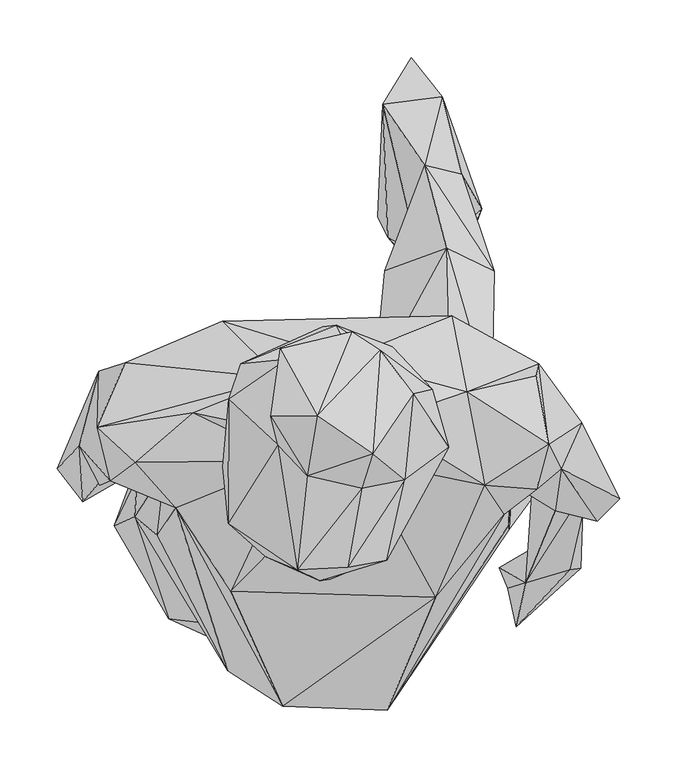
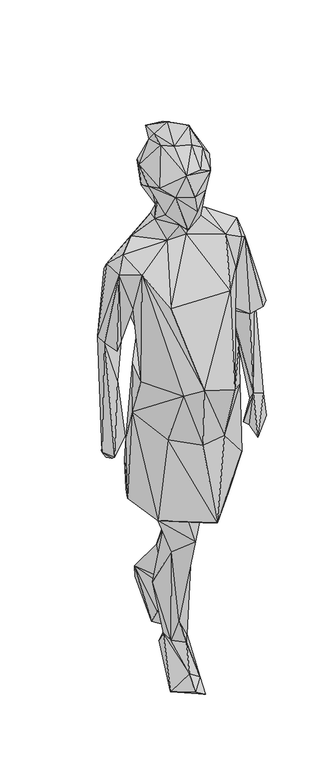
"""IFC4 building model written with IfcOpenShell, lengths in millimetres: geographic element geometry."""

import ifcopenshell
import ifcopenshell.guid

model = None  # the IFC model being written
_history = None  # IfcOwnerHistory: only IFC2X3 demands one
_inside = {}  # id of a spatial element -> (the spatial element, [elements in it])
_under = {}  # id of a project, library or spatial element -> (it, [spatial elements below it])
_declared = {}  # id of a project -> (the project, [libraries it declares])
_typed = {}  # id of a type object -> (the type object, [elements of that type])
_made_of = {}  # id of a material, layer set ... -> (it, [elements and type objects made of it])


def new_model(schema):
    """Start an empty IFC model of exactly this schema.

    Asked for "IFC4X3", IfcOpenShell would pick the latest addendum, in which some entities
    have other attributes; the version numbers below select the first issue.
    IFC2X3 requires an IfcOwnerHistory on every rooted entity: one is made here for all.
    """
    global model, _history
    if schema == "IFC4X3":
        model = ifcopenshell.file(schema_version=(4, 3, 0, 0))
    else:
        model = ifcopenshell.file(schema=schema)
    _inside.clear()
    _under.clear()
    _declared.clear()
    _typed.clear()
    _made_of.clear()
    _history = None
    if model.schema == "IFC2X3":
        org = make("IfcOrganization", Name="unknown")
        user = make(
            "IfcPersonAndOrganization",
            ThePerson=make("IfcPerson", FamilyName="unknown"),
            TheOrganization=org,
        )
        app = make(
            "IfcApplication",
            ApplicationDeveloper=org,
            Version="unknown",
            ApplicationFullName="unknown",
            ApplicationIdentifier="unknown",
        )
        _history = make(
            "IfcOwnerHistory",
            OwningUser=user,
            OwningApplication=app,
            ChangeAction="ADDED",
            CreationDate=0,
        )
    return model


def make(cls, **values):
    """One entity of the class cls with the attributes given. An attribute that is None is left unset."""
    return model.create_entity(
        cls, **{name: value for name, value in values.items() if value is not None}
    )


def rooted(cls, **values):
    """An entity with a GlobalId (a new one), such as an element, a storey or a relation."""
    return make(cls, GlobalId=ifcopenshell.guid.new(), OwnerHistory=_history, **values)


def si_unit(unit_type, name, prefix=None):
    """IfcSIUnit, for example si_unit("LENGTHUNIT", "METRE", prefix="MILLI")."""
    return make("IfcSIUnit", UnitType=unit_type, Prefix=prefix, Name=name)


def assignment(units):
    """IfcUnitAssignment: the units of a project."""
    return None if units is None else make("IfcUnitAssignment", Units=units)


def point(xyz):
    """IfcCartesianPoint."""
    return None if xyz is None else make("IfcCartesianPoint", Coordinates=xyz)


def direction(xyz):
    """IfcDirection."""
    return None if xyz is None else make("IfcDirection", DirectionRatios=xyz)


def frame(location, z_axis=None, x_axis=None):
    """IfcAxis2Placement3D, a coordinate frame: its origin and axes. An axis left out is left unset."""
    return make(
        "IfcAxis2Placement3D",
        Location=point(location),
        Axis=direction(z_axis),
        RefDirection=direction(x_axis),
    )


def origin():
    """The frame at (0, 0, 0) with its axes left unset."""
    return frame((0.0, 0.0, 0.0))


def place(relative_to, where):
    """IfcLocalPlacement: puts the frame where relative to a parent placement (None: the world)."""
    return make(
        "IfcLocalPlacement", PlacementRelTo=relative_to, RelativePlacement=where
    )


def context(
    kind, dimensions, precision=None, world=None, true_north=None, identifier=None
):
    """IfcGeometricRepresentationContext, for example the 3D "Model" context."""
    return make(
        "IfcGeometricRepresentationContext",
        ContextIdentifier=identifier,
        ContextType=kind,
        CoordinateSpaceDimension=dimensions,
        Precision=precision,
        WorldCoordinateSystem=world,
        TrueNorth=true_north,
    )


def project(units=None, contexts=None):
    """IfcProject with its units and contexts."""
    return rooted(
        "IfcProject",
        Name="project",
        RepresentationContexts=contexts,
        UnitsInContext=assignment(units),
    )


def spatial(cls, under=None, at=None, **own):
    """A site, building, storey or space (cls), placed at a placement, below another one or the project."""
    s = rooted(cls, ObjectPlacement=at, **own)
    if under is not None:
        _under.setdefault(under.id(), (under, []))[1].append(s)
    return s


def faces_of(points, faces, orient=None, outer=None):
    """IfcFace entities. A face is a list of loops; a loop is a list of indices into points, from 0.

    orient and outer hold one flag for each loop. By default every Orientation is true, the
    first loop of a face is its IfcFaceOuterBound and the others are IfcFaceBound.
    """
    made = []
    for i, loops in enumerate(faces):
        bounds = []
        for j, loop in enumerate(loops):
            is_outer = j == 0 if outer is None else outer[i][j]
            bounds.append(
                make(
                    "IfcFaceOuterBound" if is_outer else "IfcFaceBound",
                    Bound=make("IfcPolyLoop", Polygon=[points[k] for k in loop]),
                    Orientation=True if orient is None else orient[i][j],
                )
            )
        made.append(make("IfcFace", Bounds=bounds))
    return made


def faceted_brep(points, faces, orient=None, outer=None, voids=None):
    """IfcFacetedBrep: a solid bounded by flat faces; with voids (closed shells), ...WithVoids."""
    shared = [point(p) for p in points]
    hull = make("IfcClosedShell", CfsFaces=faces_of(shared, faces, orient, outer))
    if voids is None:
        return make("IfcFacetedBrep", Outer=hull)
    return make(
        "IfcFacetedBrepWithVoids",
        Outer=hull,
        Voids=[
            make(cls, CfsFaces=faces_of(shared, fs, o, b)) for cls, fs, o, b in voids
        ],
    )


def shape(context_of_items, identifier, shape_type, items):
    """IfcShapeRepresentation: the items that make up one representation, for example the "Body"."""
    return make(
        "IfcShapeRepresentation",
        ContextOfItems=context_of_items,
        RepresentationIdentifier=identifier,
        RepresentationType=shape_type,
        Items=items,
    )


def source(mapping_origin, context_of_items, identifier, shape_type, items):
    """IfcRepresentationMap: a shape defined once, which mapped items show again and again."""
    return make(
        "IfcRepresentationMap",
        MappingOrigin=mapping_origin,
        MappedRepresentation=shape(context_of_items, identifier, shape_type, items),
    )


def transform(
    local_origin,
    x_axis=None,
    y_axis=None,
    z_axis=None,
    scale=None,
    scale2=None,
    scale3=None,
    uniform=True,
):
    """IfcCartesianTransformationOperator3D, or its non-uniform kind. x_axis, y_axis, z_axis: its Axis1, 2, 3."""
    if uniform:
        return make(
            "IfcCartesianTransformationOperator3D",
            Axis1=direction(x_axis),
            Axis2=direction(y_axis),
            LocalOrigin=point(local_origin),
            Scale=scale,
            Axis3=direction(z_axis),
        )
    return make(
        "IfcCartesianTransformationOperator3DnonUniform",
        Axis1=direction(x_axis),
        Axis2=direction(y_axis),
        LocalOrigin=point(local_origin),
        Scale=scale,
        Axis3=direction(z_axis),
        Scale2=scale2,
        Scale3=scale3,
    )


def mapped(mapping_source, mapping_target):
    """IfcMappedItem: shows the shape of a source again, moved by a transform."""
    return make(
        "IfcMappedItem", MappingSource=mapping_source, MappingTarget=mapping_target
    )


def made_of(thing, what):
    """Note that an element or type object is made of a material, layer set ...; save() writes the relation."""
    if what is not None:
        _made_of.setdefault(what.id(), (what, []))[1].append(thing)
    return thing


def element(
    cls,
    number,
    at=None,
    inside=None,
    cuts=None,
    type_object=None,
    material=None,
    context=None,
    identifier="Body",
    shape_type=None,
    held_by="IfcProductDefinitionShape",
    body=None,
    shapes=None,
    **own,
):
    """One element of the class cls, such as IfcWall. Its Tag is "e" and its number.

    at: its placement. inside: the storey or other place that contains it. cuts: it is an
    opening in that element (IfcRelVoidsElement). A single representation is given by context,
    identifier, shape_type and body (its items); several are given by shapes. held_by: the class
    of the entity that holds the representations. save() writes the other relations.
    """
    e = rooted(cls, Tag="e%d" % number, ObjectPlacement=at, **own)
    if body is not None:
        shapes = [shape(context, identifier, shape_type, body)]
    if shapes is not None:
        e.Representation = make(held_by, Representations=shapes)
    if inside is not None:
        _inside.setdefault(inside.id(), (inside, []))[1].append(e)
    if cuts is not None:
        rooted(
            "IfcRelVoidsElement", RelatingBuildingElement=cuts, RelatedOpeningElement=e
        )
    if type_object is not None:
        _typed.setdefault(type_object.id(), (type_object, []))[1].append(e)
    return made_of(e, material)


def aggregate(whole, parts):
    """IfcRelAggregates: a whole, such as a stair, and the parts it consists of."""
    return rooted("IfcRelAggregates", RelatingObject=whole, RelatedObjects=parts)


def save(model, path):
    """Write the relations noted so far, then the file.

    IfcRelAggregates (storeys below a building ...), IfcRelContainedInSpatialStructure (elements
    in a storey), IfcRelDefinesByType, IfcRelAssociatesMaterial and IfcRelDeclares: one each for
    every whole, place, type object, material and project.
    """
    for whole, parts in _under.values():
        aggregate(whole, parts)
    for where, things in _inside.values():
        rooted(
            "IfcRelContainedInSpatialStructure",
            RelatedElements=things,
            RelatingStructure=where,
        )
    for kind, things in _typed.values():
        rooted("IfcRelDefinesByType", RelatedObjects=things, RelatingType=kind)
    for what, things in _made_of.values():
        rooted("IfcRelAssociatesMaterial", RelatedObjects=things, RelatingMaterial=what)
    for by, libraries in _declared.values():
        rooted("IfcRelDeclares", RelatingContext=by, RelatedDefinitions=libraries)
    model.write(path)


def geographic_element_68bdd608(model_context):
    return source(origin(), model_context, "Body", "Brep", [
        faceted_brep([(154.8800002, -16.0529984, 643.0759947), (129.0359928, 43.3689947, 827.1669643), (122.3969966, -60.8509995, 899.4879611), (130.425988, 55.8769957, 627.5659722), (19.4269994, 105.416997, 877.4269711), (88.1559987, 97.211993, 604.3089554), (121.1669952, -57.8219958, 1028.8339726), (76.2509992, 49.0880006, 967.411983), (-74.0769943, 91.342001, 576.8489766), (17.2359979, 84.7189937, 595.9859417), (69.6589938, 116.9149936, 524.1140062), (-132.2019978, 41.7039985, 1000.3980275), (7.4499998, 74.714995, 985.3549478), (122.1129954, -25.4419983, 1067.2720539), (92.2849986, 46.4399973, 1074.3889676), (-63.3139975, 73.8449982, 1036.1739269), (-202.4150019, -15.9019994, 812.9250307), (-177.770985, -8.6559997, 1043.056952), (24.5309991, 76.7989969, 1053.6239017), (111.5749986, -13.7279991, 1133.7059596), (58.1559979, 77.6929995, 1095.1180323), (-120.2499926, 68.6369977, 1081.9690094), (-204.651994, -50.0390002, 917.2069913), (-184.7509868, -66.1449946, 1018.2620161), (-128.1539931, 120.6299946, 1318.321927), (-182.1599878, 65.9440003, 1243.0909718), (-178.9739855, -11.9969992, 1220.737919), (-123.2089981, -184.391988, 1021.1518877), (-168.8639948, -42.0899982, 1344.3698717), (-225.8200021, -18.5949986, 1349.9179912), (-190.4749996, 30.8929976, 1093.4389694), (-197.1680051, 70.9079942, 1091.6039809), (-213.0189959, 84.4399993, 1306.1328965), (-228.216988, 15.4899999, 826.2659805), (-236.0589922, 76.9499978, 1097.7970226), (-237.3239965, 28.3319984, 1362.6499008), (-77.8440004, 70.7849926, 1448.2999861), (-252.7770071, 12.128, 1122.2039322), (-272.0849778, -8.0479997, 783.4470175), (-153.9239864, 40.9560012, 1417.7299563), (-204.144982, -2.26, 1398.8829678), (-67.1619988, -1.115, 1397.8829211), (-89.3729914, 27.2399985, 1459.1630517), (-234.8660053, -22.5539987, 1108.7689263), (-222.3239961, -4.894, 997.3739262), (-249.8359947, -36.6440001, 776.5879535), (-202.4150019, -9.3239992, 812.9250307), (-259.5639793, 19.9699995, 769.295981), (-246.18299, -17.3509994, 761.7439534), (-252.8960078, 4.046, 754.1089561), (-75.3889969, -215.146986, 1041.6339507), (-120.6279978, -114.9429963, 1262.7389275), (-146.3630032, -142.4499882, 861.7510093), (-60.7219964, -180.9349932, 838.4230033), (-222.3709943, -57.5589978, 646.2999502), (-175.0320026, -138.7159956, 606.6789552), (-30.2109994, -204.6190028, 589.1919659), (13.1560004, -167.444987, 836.285998), (15.5920003, -218.8820067, 1014.0160197), (58.3299987, -65.1519961, 645.2749292), (58.7830015, -109.9409894, 599.4879529), (122.1629962, -18.8609993, 652.6179829), (-42.9799961, -41.5359991, 646.9999472), (-38.4549978, -146.3069898, 628.7909668), (5.4949996, -30.6049973, 640.4260318), (63.9339976, 5.3099999, 493.6309694), (107.1019979, 49.2289992, 526.8869931), (82.2609951, 217.5979885, 137.3089982), (67.7289954, 184.3259908, 435.4509955), (109.0629907, 164.4989977, 414.6649786), (4.567, 68.0879942, 506.5659818), (13.6729999, 164.9909893, 330.2929957), (48.4660001, 256.9759754, 211.9339827), (80.8469941, 249.0220039, 162.7989838), (11.7819997, 310.3789947, 122.517994), (37.3149994, 203.7609939, 137.9209889), (63.768997, 316.5399691, 123.7969905), (60.6579997, 178.2229968, 217.985985), (33.4429998, 77.715001, 435.9949773), (74.0949949, 197.9449963, 106.1419906), (42.9709995, 179.8189856, 113.2509992), (-76.557002, 45.2509964, 645.5689589), (-193.0509931, 0.908, 632.6050084), (-146.308003, -20.5669997, 642.2849814), (-45.830998, -94.1319976, 449.2949788), (-75.4349967, -46.8129994, 572.6369549), (-73.5360002, -164.1089896, 518.221968), (-94.729996, -164.6579931, 589.7709654), (-124.10499, -121.7230022, 477.4449707), (-72.7080023, -72.1559963, 204.0600006), (-174.7100034, -56.0589947, 659.031979), (-112.9279942, -61.0239945, 516.1259707), (-82.674994, -49.3849994, 130.3459986), (-136.4289952, -43.7039988, 337.1770042), (-32.9059992, -45.868996, 131.0589893), (-53.5579988, -80.8939998, 133.2519932), (-68.2879976, -122.9209959, 61.5289986), (-87.9029993, -16.3509993, 134.7819997), (-79.4359957, -11.0169992, 398.4609793), (-114.282994, -99.8119998, 4.4519999), (-42.7489983, 20.2629992, 149.5809984), (-70.2989987, 37.7960014, 74.3509969), (-82.8899954, -178.0909874, 39.152998), (-38.8070005, -127.2509976, 43.6509991), (-26.5289989, -108.5019918, 3.21), (-51.7209985, -177.5689997, 22.5269997), (-48.5149988, -43.0959979, 1.5719998), (-42.9470012, 43.2040015, 77.1320006), (-41.5129992, 33.3169993, 1.525), (-54.5829975, -60.4099959, 481.1589658), (-206.2409942, -14.2919988, 740.2919439), (98.1709945, 219.0819803, 28.0489993), (36.8789989, 350.881006, 55.0089956), (94.1949997, 223.1290015, -2.138), (7.6499995, 212.1859912, 2.139), (66.7459957, 134.7780062, -0.66), (16.0470007, 194.2079788, 43.1059966), (65.0439999, 140.0369984, 34.9009964), (117.9489926, -47.9059958, 1273.7139306), (58.204002, -120.1609954, 1261.3990151), (167.53499, -8.0769992, 1333.7249591), (162.3559872, -44.5029991, 1105.1949126), (146.3569981, -26.1260007, 1350.5619597), (145.96699, 27.564, 1079.6959267), (110.9559969, 35.3679988, 1180.7219836), (156.5240006, 13.5159984, 1384.8930426), (100.9640011, -22.2760008, 1371.3509867), (-7.195, -0.549, 1398.408038), (9.9969999, 33.222999, 1467.6910457), (85.078, 59.0969987, 1415.3308693), (-37.9230003, -18.9269984, 1446.7480004), (1.5379999, -8.8109997, 1490.5179555), (1.6329998, -58.5879974, 1488.4578998), (-52.2069962, -86.502998, 1477.1878537), (-75.7969981, -7.8219994, 1489.0169913), (31.8909991, 5.173, 1554.1299389), (-1.098, -90.8450026, 1591.3909477), (-90.398996, -84.7150002, 1595.5199998), (-34.0019982, -104.3309929, 1541.909914), (-127.665995, -6.1419997, 1598.0939668), (-95.5770004, -4.6740001, 1555.6539105), (-75.2229979, 48.2619995, 1488.6019046), (-103.9130004, 17.0399992, 1570.2929303), (-102.7979987, 78.2700022, 1543.7848377), (-122.9289978, -55.5819974, 1620.1100149), (-122.5889906, 52.4829992, 1630.3379334), (-111.9399951, 83.634003, 1625.868062), (-40.3480003, 115.8609897, 1539.1900349), (-67.2719992, 68.6049974, 1532.6279212), (-79.9319958, 12.7149996, 1703.3680467), (-71.8590012, 87.4600027, 1675.6669076), (-62.7439983, -96.0279989, 1664.2669234), (-85.9090005, 37.7149987, 1727.6068712), (-54.0110015, -14.1560005, 1707.2950391), (-45.4459967, 37.9659976, 1753.016927), (-77.4929961, 96.6429996, 1716.2029531), (-6.548, -25.2599992, 1702.1099119), (3.0720001, 5.1879999, 1743.444898), (-15.3539989, 111.4570038, 1699.5279579), (9.7269992, 95.4309988, 1694.9059754), (-14.7789994, 90.4289994, 1662.5219378), (38.3649985, 57.3339977, 1690.8449918), (55.0879978, 61.467997, 1616.4409915), (31.196998, -17.5010001, 1676.115969), (-18.7849996, -93.9630035, 1667.2270092), (15.2429992, -87.9139964, 1647.8849446), (69.5649973, 10.776, 1624.0749158), (55.1319972, 52.8959961, 1585.1789517), (-42.9459991, -105.8859961, 1592.6449102), (-4.5699998, 55.7019964, 1494.9298912), (20.0580002, 98.1939944, 1531.4450075), (-36.0089983, 94.2160028, 1506.180983), (-21.2019977, 87.8619913, 1448.3669817), (-28.5599992, 117.1699971, 1626.2699165), (72.2189984, 125.2989903, 1298.5349733), (147.8039902, 83.3879997, 1296.980961), (185.4490019, 32.0479978, 1240.8048953), (145.9230018, 73.2369935, 1366.0119603), (218.444002, -34.3029979, 1123.7258772), (188.6230088, 20.8260005, 1094.2790373), (144.0079939, -76.3439974, 855.2390231), (184.4589985, -94.6269992, 797.3499796), (175.0049867, -95.9759939, 873.1069457), (192.6439977, -20.1510002, 1132.0119956), (199.2149924, -53.7359969, 1121.533976), (136.5859939, -107.3559882, 894.4989332), (128.4140035, -145.7089913, 776.853969), (121.1130008, -112.372993, 799.3199726), (113.4049953, -94.4050017, 800.2110025), (152.290998, -113.2169948, 764.693966)], [[[0, 1, 2]], [[0, 3, 1]], [[4, 1, 5]], [[6, 2, 1]], [[5, 1, 3]], [[7, 6, 1]], [[4, 7, 1]], [[4, 5, 8]], [[9, 8, 5]], [[3, 10, 5]], [[5, 10, 9]], [[8, 11, 4]], [[4, 12, 7]], [[4, 11, 12]], [[13, 7, 14]], [[14, 7, 12]], [[6, 7, 13]], [[14, 12, 15]], [[15, 12, 11]], [[16, 11, 8]], [[16, 17, 11]], [[15, 11, 17]], [[15, 17, 18]], [[18, 14, 15]], [[13, 14, 19]], [[20, 19, 14]], [[18, 20, 14]], [[21, 20, 18]], [[21, 18, 17]], [[22, 17, 16]], [[23, 21, 17]], [[22, 23, 17]], [[24, 20, 21]], [[25, 21, 26]], [[26, 21, 23]], [[25, 24, 21]], [[27, 28, 23]], [[26, 23, 28]], [[22, 27, 23]], [[29, 26, 28]], [[25, 26, 30]], [[26, 29, 30]], [[30, 31, 25]], [[32, 24, 25]], [[32, 25, 31]], [[30, 33, 31]], [[34, 31, 33]], [[32, 31, 34]], [[32, 35, 36]], [[35, 32, 34]], [[24, 32, 36]], [[29, 34, 37]], [[37, 34, 38]], [[38, 34, 33]], [[29, 35, 34]], [[39, 36, 35]], [[40, 39, 35]], [[35, 29, 40]], [[40, 41, 39]], [[42, 36, 39]], [[41, 42, 39]], [[28, 41, 40]], [[28, 40, 29]], [[43, 30, 29]], [[43, 29, 37]], [[37, 30, 43]], [[30, 44, 33]], [[37, 44, 30]], [[44, 37, 45]], [[44, 46, 33]], [[45, 46, 44]], [[33, 47, 38]], [[33, 46, 48]], [[33, 48, 49]], [[33, 49, 47]], [[45, 48, 46]], [[38, 45, 37]], [[45, 38, 48]], [[38, 49, 48]], [[47, 49, 38]], [[50, 28, 27]], [[51, 41, 28]], [[50, 51, 28]], [[27, 22, 52]], [[27, 52, 53]], [[50, 27, 53]], [[54, 22, 16]], [[22, 54, 55]], [[55, 52, 22]], [[53, 52, 56]], [[56, 52, 55]], [[57, 50, 53]], [[57, 53, 56]], [[57, 0, 2]], [[57, 56, 0]], [[50, 57, 58]], [[57, 2, 58]], [[59, 0, 60]], [[56, 60, 0]], [[61, 0, 59]], [[3, 0, 61]], [[56, 59, 60]], [[62, 59, 63]], [[56, 63, 59]], [[59, 64, 65]], [[59, 65, 61]], [[62, 64, 59]], [[66, 3, 61]], [[66, 61, 65]], [[3, 66, 10]], [[66, 65, 67]], [[10, 66, 68]], [[68, 66, 69]], [[69, 66, 67]], [[68, 70, 10]], [[9, 10, 70]], [[71, 70, 68]], [[72, 68, 69]], [[71, 68, 72]], [[73, 69, 67]], [[73, 72, 69]], [[74, 75, 72]], [[72, 76, 74]], [[72, 75, 71]], [[76, 72, 73]], [[77, 78, 71]], [[71, 75, 77]], [[71, 78, 70]], [[77, 75, 79]], [[74, 80, 75]], [[80, 79, 75]], [[65, 78, 77]], [[65, 77, 67]], [[77, 79, 67]], [[70, 78, 65]], [[64, 70, 65]], [[9, 70, 64]], [[9, 64, 81]], [[64, 62, 81]], [[82, 9, 81]], [[8, 9, 82]], [[81, 83, 82]], [[83, 81, 62]], [[62, 63, 84]], [[83, 62, 85]], [[85, 62, 84]], [[84, 63, 86]], [[87, 86, 63]], [[87, 63, 56]], [[86, 55, 88]], [[88, 89, 86]], [[55, 86, 87]], [[89, 84, 86]], [[55, 87, 56]], [[55, 83, 88]], [[90, 83, 55]], [[90, 55, 54]], [[88, 83, 91]], [[88, 92, 89]], [[93, 88, 91]], [[93, 92, 88]], [[94, 84, 89]], [[95, 94, 89]], [[89, 92, 95]], [[96, 95, 92]], [[97, 96, 92]], [[97, 92, 93]], [[98, 97, 93]], [[91, 98, 93]], [[97, 99, 96]], [[100, 97, 98]], [[100, 101, 97]], [[101, 99, 97]], [[102, 96, 99]], [[103, 95, 96]], [[103, 96, 102]], [[103, 94, 95]], [[103, 104, 94]], [[103, 105, 104]], [[103, 102, 105]], [[102, 99, 105]], [[104, 105, 99]], [[99, 106, 104]], [[94, 104, 106]], [[94, 106, 107]], [[108, 106, 99]], [[107, 106, 108]], [[100, 94, 107]], [[109, 94, 100]], [[109, 84, 94]], [[100, 107, 101]], [[101, 107, 108]], [[99, 101, 108]], [[98, 109, 100]], [[98, 91, 109]], [[85, 84, 109]], [[85, 109, 91]], [[85, 91, 83]], [[54, 82, 83]], [[90, 54, 83]], [[82, 16, 8]], [[54, 110, 82]], [[110, 16, 82]], [[110, 54, 16]], [[73, 67, 79]], [[73, 79, 111]], [[80, 111, 79]], [[76, 73, 111]], [[112, 76, 113]], [[112, 74, 76]], [[76, 111, 113]], [[112, 113, 114]], [[114, 113, 115]], [[113, 111, 115]], [[114, 74, 112]], [[74, 116, 80]], [[114, 116, 74]], [[111, 80, 116]], [[116, 117, 111]], [[114, 115, 116]], [[115, 117, 116]], [[115, 111, 117]], [[58, 13, 118]], [[50, 58, 119]], [[58, 118, 119]], [[6, 58, 2]], [[6, 13, 58]], [[13, 19, 118]], [[120, 19, 121]], [[122, 19, 120]], [[121, 19, 123]], [[19, 124, 123]], [[20, 124, 19]], [[122, 118, 19]], [[122, 125, 126]], [[126, 118, 122]], [[120, 125, 122]], [[119, 118, 126]], [[127, 126, 128]], [[128, 126, 129]], [[126, 125, 129]], [[119, 126, 127]], [[50, 119, 51]], [[51, 119, 127]], [[130, 127, 131]], [[131, 127, 128]], [[41, 127, 130]], [[51, 127, 41]], [[130, 132, 133]], [[130, 42, 41]], [[130, 134, 42]], [[130, 133, 134]], [[130, 131, 132]], [[135, 136, 132]], [[136, 133, 132]], [[131, 135, 132]], [[137, 134, 133]], [[137, 133, 138]], [[138, 133, 136]], [[139, 134, 137]], [[42, 134, 140]], [[139, 140, 134]], [[141, 42, 140]], [[36, 42, 141]], [[140, 142, 141]], [[139, 142, 140]], [[143, 141, 142]], [[143, 142, 139]], [[139, 144, 145]], [[145, 143, 139]], [[144, 139, 137]], [[146, 147, 143]], [[141, 143, 148]], [[145, 146, 143]], [[147, 148, 143]], [[145, 144, 149]], [[145, 149, 150]], [[145, 150, 146]], [[144, 151, 149]], [[144, 137, 151]], [[150, 149, 152]], [[153, 152, 149]], [[153, 149, 151]], [[154, 155, 152]], [[154, 152, 153]], [[155, 150, 152]], [[153, 151, 156]], [[157, 154, 153]], [[156, 157, 153]], [[155, 154, 158]], [[159, 154, 157]], [[154, 159, 158]], [[155, 158, 150]], [[158, 160, 150]], [[158, 159, 160]], [[159, 157, 161]], [[159, 162, 160]], [[161, 162, 159]], [[157, 163, 161]], [[156, 163, 157]], [[156, 151, 164]], [[156, 164, 163]], [[163, 165, 166]], [[166, 161, 163]], [[164, 165, 163]], [[161, 166, 162]], [[162, 166, 167]], [[165, 135, 166]], [[135, 167, 166]], [[136, 135, 165]], [[151, 168, 165]], [[136, 165, 168]], [[164, 151, 165]], [[168, 151, 137]], [[168, 137, 138]], [[168, 138, 136]], [[131, 167, 135]], [[162, 167, 169]], [[169, 167, 131]], [[169, 131, 128]], [[162, 169, 170]], [[171, 170, 169]], [[172, 169, 128]], [[172, 171, 169]], [[170, 173, 162]], [[160, 162, 173]], [[147, 173, 170]], [[147, 170, 171]], [[172, 141, 171]], [[148, 171, 141]], [[147, 171, 148]], [[147, 146, 173]], [[160, 173, 146]], [[146, 150, 160]], [[172, 36, 141]], [[172, 24, 36]], [[172, 174, 24]], [[24, 174, 20]], [[174, 172, 129]], [[174, 129, 175]], [[174, 175, 20]], [[20, 175, 124]], [[176, 124, 175]], [[175, 125, 176]], [[177, 125, 175]], [[129, 177, 175]], [[172, 128, 129]], [[177, 129, 125]], [[120, 176, 125]], [[120, 178, 176]], [[176, 179, 124]], [[176, 178, 179]], [[124, 179, 123]], [[123, 179, 180]], [[180, 179, 181]], [[182, 179, 183]], [[183, 179, 178]], [[179, 182, 181]], [[184, 178, 120]], [[183, 178, 184]], [[184, 120, 121]], [[183, 184, 121]], [[182, 183, 185]], [[121, 185, 183]], [[185, 186, 182]], [[186, 181, 182]], [[185, 121, 123]], [[180, 185, 123]], [[187, 186, 185]], [[180, 188, 185]], [[185, 188, 187]], [[181, 186, 189]], [[186, 187, 189]], [[187, 181, 189]], [[180, 181, 187]], [[188, 180, 187]]]),
    ])


if __name__ == "__main__":
    model = new_model("IFC4")
    model_context = context("Model", 3, world=origin())
    ifc_project = project(units=[si_unit("LENGTHUNIT", "METRE", prefix="MILLI")], contexts=[model_context])
    site = spatial("IfcSite", under=ifc_project)
    building = spatial("IfcBuilding", under=site)
    placement = place(None, origin())
    geographic_element_shape = geographic_element_68bdd608(model_context)
    element("IfcGeographicElement", 1, at=placement, inside=building, context=model_context, shape_type="MappedRepresentation", body=[
        mapped(geographic_element_shape, transform((0.0, 0.0, 0.0), x_axis=(1.0, 0.0, 0.0), y_axis=(0.0, 1.0, 0.0), z_axis=(0.0, 0.0, 1.0))),
    ])
    save(model, "model.ifc")
